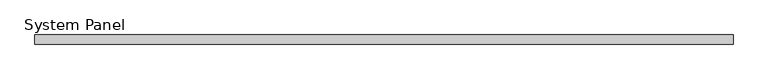
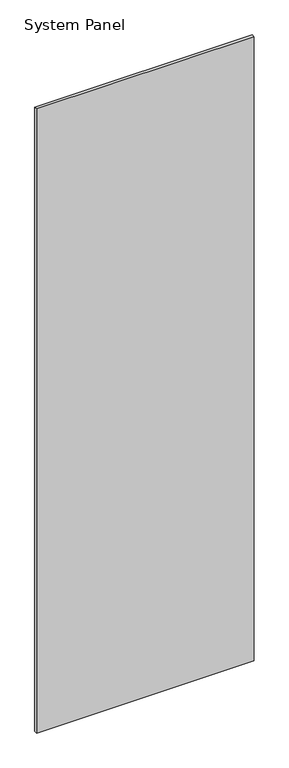
"""IFC4 building model written with IfcOpenShell, lengths in millimetres: plate geometry, System Panel."""

from ifc_helpers import new_model, si_unit, origin, origin_with_axes, place, context, project, spatial, polyline, outline, extrude, source, transform, mapped, element, save


def system_panel_ad7bc400(model_context):
    return source(origin(), model_context, "Body", "SweptSolid", [
        extrude(outline(polyline([(592.5, -8.0), (-592.5, -8.0), (-592.5, 8.0), (592.5, 8.0), (592.5, -8.0)])), origin_with_axes(), (0.0, 0.0, 1.0), 3590.0),
    ])


if __name__ == "__main__":
    model = new_model("IFC4")
    model_context = context("Model", 3, world=origin())
    ifc_project = project(units=[si_unit("LENGTHUNIT", "METRE", prefix="MILLI")], contexts=[model_context])
    site = spatial("IfcSite", under=ifc_project)
    building = spatial("IfcBuilding", under=site)
    placement = place(None, origin())
    system_panel_shape = system_panel_ad7bc400(model_context)
    element("IfcPlate", 1, ObjectType="System Panel", at=placement, inside=building, context=model_context, shape_type="MappedRepresentation", body=[
        mapped(system_panel_shape, transform((0.0, 0.0, 0.0), x_axis=(1.0, 0.0, 0.0), y_axis=(0.0, 1.0, 0.0), z_axis=(0.0, 0.0, 1.0))),
    ])
    save(model, "model.ifc")
